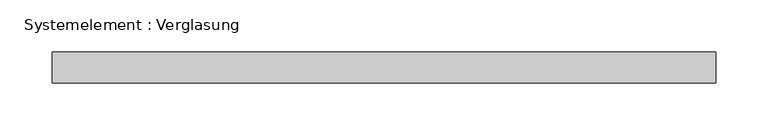
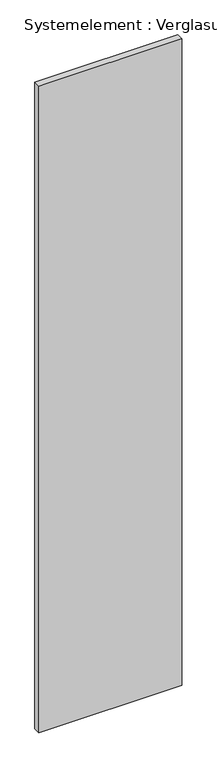
"""IFC4 building model written with IfcOpenShell, lengths in millimetres: plate geometry, Systemelement : Verglasung."""

from ifc_helpers import new_model, si_unit, origin, origin_with_axes, place, context, project, spatial, polyline, outline, extrude, source, transform, mapped, element, save


def systemelement_verglasung_397e434e(model_context):
    return source(origin(), model_context, "Body", "SweptSolid", [
        extrude(outline(polyline([(317.9763691, -15.0), (-317.9763691, -15.0), (-317.9763691, 15.0), (317.9763691, 15.0), (317.9763691, -15.0)])), origin_with_axes(), (0.0, 0.0, 1.0), 3040.0),
    ])


if __name__ == "__main__":
    model = new_model("IFC4")
    model_context = context("Model", 3, world=origin())
    ifc_project = project(units=[si_unit("LENGTHUNIT", "METRE", prefix="MILLI")], contexts=[model_context])
    site = spatial("IfcSite", under=ifc_project)
    building = spatial("IfcBuilding", under=site)
    placement = place(None, origin())
    systemelement_verglasung_shape = systemelement_verglasung_397e434e(model_context)
    element("IfcPlate", 1, ObjectType="Systemelement : Verglasung", at=placement, inside=building, context=model_context, shape_type="MappedRepresentation", body=[
        mapped(systemelement_verglasung_shape, transform((0.0, 0.0, 0.0), x_axis=(1.0, 0.0, 0.0), y_axis=(0.0, 1.0, 0.0), z_axis=(0.0, 0.0, 1.0))),
    ])
    save(model, "model.ifc")
